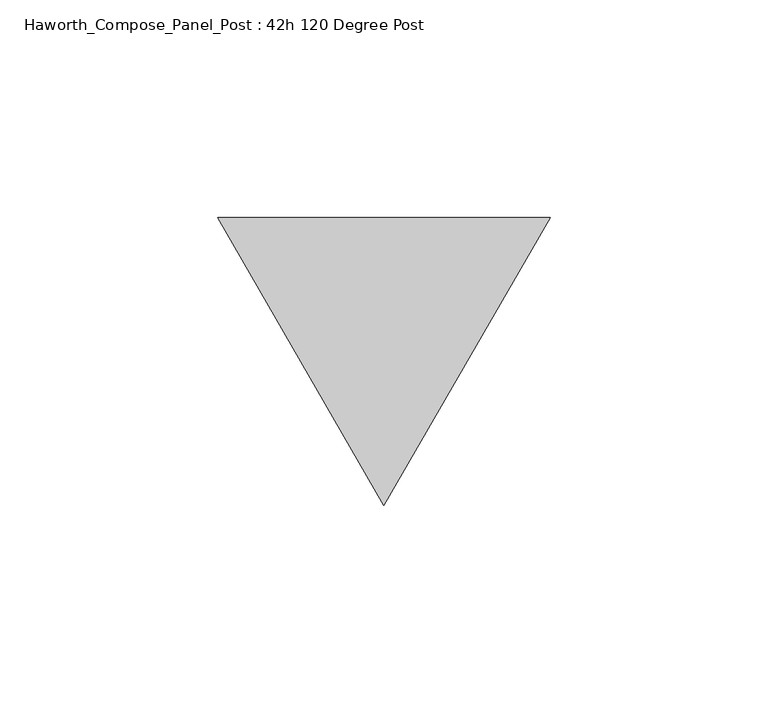
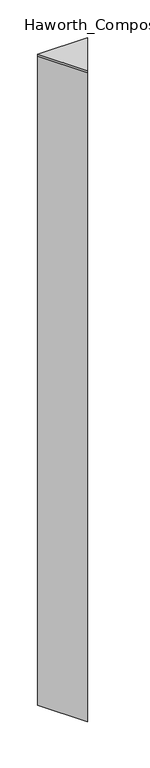
"""IFC4 building model written with IfcOpenShell, lengths in millimetres: furniture geometry, Haworth_Compose_Panel_Post : 42h 120 Degree Post."""

from ifc_helpers import new_model, si_unit, frame, origin, place, context, project, spatial, polyline, outline, extrude, source, transform, mapped, element, save


def haworth_compose_panel_post_42h_120_degree_post_5026ec60(model_context):
    return source(origin(), model_context, "Body", "SweptSolid", [
        extrude(outline(polyline([(76.2, 32.9955679), (38.1, -32.9955679), (0.0, 32.9955679), (76.2, 32.9955679)])), frame((0.0, 0.0, 1060.45), z_axis=(0.0, 0.0, 1.0), x_axis=(1.0, 0.0, 0.0)), (0.0, 0.0, 1.0), 3.175),
        extrude(outline(polyline([(76.2, 32.9955679), (38.1, -32.9955679), (0.0, 32.9955679), (76.2, 32.9955679)])), frame((0.0, 0.0, 12.7), z_axis=(0.0, 0.0, 1.0), x_axis=(1.0, 0.0, 0.0)), (0.0, 0.0, 1.0), 1047.75),
    ])


if __name__ == "__main__":
    model = new_model("IFC4")
    model_context = context("Model", 3, world=origin())
    ifc_project = project(units=[si_unit("LENGTHUNIT", "METRE", prefix="MILLI")], contexts=[model_context])
    site = spatial("IfcSite", under=ifc_project)
    building = spatial("IfcBuilding", under=site)
    placement = place(None, origin())
    haworth_compose_panel_post_42h_120_degree_post_shape = haworth_compose_panel_post_42h_120_degree_post_5026ec60(model_context)
    element("IfcFurniture", 1, ObjectType="Haworth_Compose_Panel_Post : 42h 120 Degree Post", at=placement, inside=building, context=model_context, shape_type="MappedRepresentation", body=[
        mapped(haworth_compose_panel_post_42h_120_degree_post_shape, transform((0.0, 0.0, 0.0), x_axis=(1.0, 0.0, 0.0), y_axis=(0.0, 1.0, 0.0), z_axis=(0.0, 0.0, 1.0))),
    ])
    save(model, "model.ifc")
